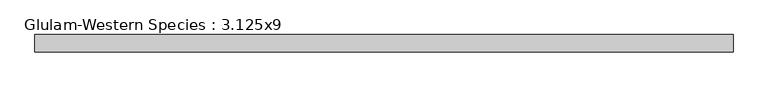
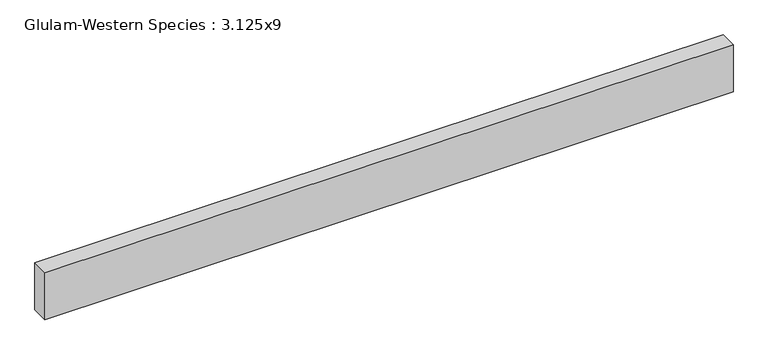
"""IFC4 building model written with IfcOpenShell, lengths in millimetres: beam geometry, Glulam-Western Species : 3.125x9."""

from ifc_helpers import new_model, si_unit, frame, origin, place, context, project, spatial, polyline, outline, extrude, source, transform, mapped, element, save


def glulam_western_species_3_125x9_b51c3b0c(model_context):
    return source(origin(), model_context, "Body", "SweptSolid", [
        extrude(outline(polyline([(1553.2476435, 39.6875), (1553.2476435, -39.6875), (-1605.5153141, -39.6875), (-1605.5153141, 39.6875), (1553.2476435, 39.6875)])), frame((0.0, 0.0, -114.3), z_axis=(0.0, 0.0, 1.0), x_axis=(1.0, 0.0, 0.0)), (0.0, 0.0, 1.0), 228.6),
    ])


if __name__ == "__main__":
    model = new_model("IFC4")
    model_context = context("Model", 3, world=origin())
    ifc_project = project(units=[si_unit("LENGTHUNIT", "METRE", prefix="MILLI")], contexts=[model_context])
    site = spatial("IfcSite", under=ifc_project)
    building = spatial("IfcBuilding", under=site)
    placement = place(None, origin())
    glulam_western_species_3_125x9_shape = glulam_western_species_3_125x9_b51c3b0c(model_context)
    element("IfcBeam", 1, ObjectType="Glulam-Western Species : 3.125x9", at=placement, inside=building, context=model_context, shape_type="MappedRepresentation", body=[
        mapped(glulam_western_species_3_125x9_shape, transform((0.0, 0.0, 0.0), x_axis=(1.0, 0.0, 0.0), y_axis=(0.0, 1.0, 0.0), z_axis=(0.0, 0.0, 1.0))),
    ])
    save(model, "model.ifc")
